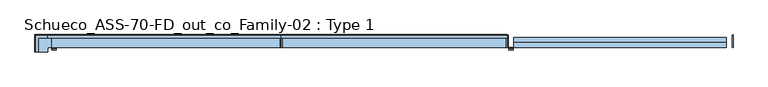
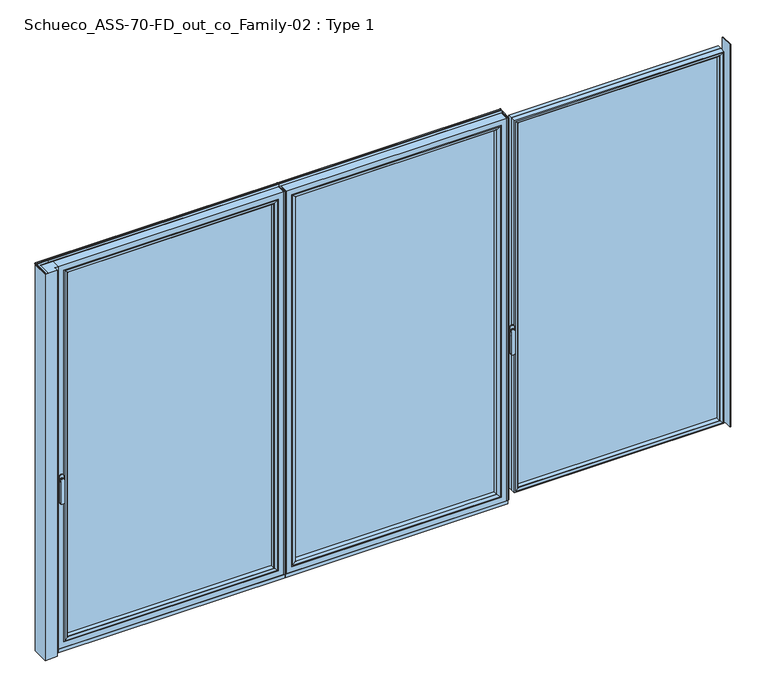
"""IFC4 building model written with IfcOpenShell, lengths in millimetres: window geometry, Schueco_ASS-70-FD_out_co_Family-02 : Type 1."""

from ifc_helpers import new_model, si_unit, point, frame, frame_2d, origin, place, context, project, spatial, polyline, circle_curve, ellipse_curve, trimmed, segment, composite_curve, outline, extrude, source, transform, mapped, element, save
from ifc_brep_helpers import plane_surface, cylinder_surface, extruded_surface, advanced_brep


def schueco_ass_70_fd_out_co_family_02_type_1_bc9d84b3(model_context):
    return source(origin(), model_context, "Body", "SolidModel", [
        extrude(outline(polyline([(-618.7333333, 0.0), (-612.7333333, 0.0), (-612.7333333, -70.0), (-618.7333333, -70.0), (-618.7333333, 0.0)])), frame((0.0, 0.0, 34.0), z_axis=(0.0, 0.0, 1.0), x_axis=(1.0, 0.0, 0.0)), (0.0, 0.0, 1.0), 2303.0),
        extrude(outline(polyline([(650.0333333, 0.0), (650.0333333, -70.0), (644.0333333, -70.0), (644.0333333, 0.0), (650.0333333, 0.0)])), frame((0.0, 0.0, 34.0), z_axis=(0.0, 0.0, 1.0), x_axis=(1.0, 0.0, 0.0)), (0.0, 0.0, 1.0), 2303.0),
        extrude(outline(polyline([(-580.7333333, -13.999939), (612.0333333, -13.999939), (612.0333333, -37.9928974), (-580.7333333, -37.9928974), (-580.7333333, -13.999939)])), frame((0.0, 0.0, 66.0), z_axis=(0.0, 0.0, 1.0), x_axis=(1.0, 0.0, 0.0)), (0.0, 0.0, 1.0), 2239.0),
        advanced_brep(
        [(590.0337606, -64.5552044, 2283.0004272), (590.0337606, -37.9928974, 2283.0004272), (590.0337606, -37.9928974, 87.9995728), (590.0337606, -64.5552044, 87.9995728), (612.0333333, -37.9928974, 2305.0), (612.0333333, -37.9928974, 66.0), (-580.7333333, -37.9928974, 66.0), (-580.7333333, -37.9928974, 2305.0), (-558.7337606, -37.9928974, 2283.0004272), (-558.7337606, -37.9928974, 87.9995728), (-558.7337606, -64.5552044, 87.9995728), (590.743304, -65.8045072, 2283.7099707), (590.743304, -65.8045072, 87.2900293), (-559.443304, -65.8045072, 87.2900293), (606.0333944, -70.0, 2299.000061), (606.0333944, -70.0, 71.999939), (-574.7333944, -70.0, 71.999939), (-580.7333333, -70.0, 2305.0), (-580.7333333, -70.0, 66.0), (612.0333333, -70.0, 66.0), (612.0333333, -70.0, 2305.0), (-574.7333944, -70.0, 2299.000061), (-558.7337606, -64.5552044, 2283.0004272), (-559.443304, -65.8045072, 2283.7099707)],
        [
            (0, 1),
            (1, 2),
            (2, 3),
            (3, 0),
            (4, 5),
            (5, 6),
            (6, 7),
            (7, 4),
            (8, 9),
            (9, 2),
            (1, 8),
            (9, 10),
            (10, 3),
            (11, 0, ellipse_curve(frame((591.4883645, -64.5552044, 2284.4550312), z_axis=(0.7071067811865475, 0.0, -0.7071067811865475), x_axis=(0.7071067811865474, 0.0, 0.7071067811865476)), 2.0571207, 1.454604)),
            (3, 12, ellipse_curve(frame((591.4883645, -64.5552044, 86.5449688), z_axis=(0.7071067811865475, 0.0, 0.7071067811865475), x_axis=(-0.7071067811865474, 0.0, 0.7071067811865476)), 2.0571207, 1.454604)),
            (12, 11),
            (10, 13, ellipse_curve(frame((-560.1883645, -64.5552044, 86.5449688), z_axis=(0.7071067811865475, 0.0, -0.7071067811865475), x_axis=(0.7071067811865476, 0.0, 0.7071067811865474)), 2.0571207, 1.454604)),
            (13, 12),
            (14, 11, ellipse_curve(frame((605.9694588, -40.2735922, 2298.9361254), z_axis=(0.7071067811865475, 0.0, -0.7071067811865475), x_axis=(0.7071067811865474, 0.0, 0.7071067811865476)), 42.0395863, 29.7264765)),
            (12, 15, ellipse_curve(frame((605.9694588, -40.2735922, 72.0638746), z_axis=(0.7071067811865475, 0.0, 0.7071067811865475), x_axis=(-0.7071067811865474, 0.0, 0.7071067811865476)), 42.0395863, 29.7264765)),
            (15, 14),
            (13, 16, ellipse_curve(frame((-574.6694588, -40.2735922, 72.0638746), z_axis=(0.7071067811865475, 0.0, -0.7071067811865475), x_axis=(0.7071067811865476, 0.0, 0.7071067811865474)), 42.0395863, 29.7264765)),
            (16, 15),
            (17, 18),
            (18, 19),
            (19, 20),
            (20, 17),
            (16, 21),
            (21, 14),
            (4, 20),
            (19, 5),
            (18, 6),
            (8, 22),
            (22, 10),
            (22, 23, ellipse_curve(frame((-560.1883645, -64.5552044, 2284.4550312), z_axis=(-0.7071067811865475, 0.0, -0.7071067811865475), x_axis=(0.7071067811865474, 0.0, -0.7071067811865476)), 2.0571207, 1.454604)),
            (23, 13),
            (23, 21, ellipse_curve(frame((-574.6694588, -40.2735922, 2298.9361254), z_axis=(-0.7071067811865475, 0.0, -0.7071067811865475), x_axis=(0.7071067811865474, 0.0, -0.7071067811865476)), 42.0395863, 29.7264765)),
            (17, 7),
            (0, 22),
            (11, 23),
        ],
        [
            plane_surface(frame((590.0337606, -37.9928974, 2283.0004272), z_axis=(-1.0, 0.0, 0.0), x_axis=(0.0, 0.0, -1.0))),
            plane_surface(frame((-580.7333333, -37.9928974, 66.0), z_axis=(0.0, 1.0, 0.0), x_axis=(0.0, 0.0, 1.0))),
            plane_surface(frame((590.0337606, -37.9928974, 87.9995728), z_axis=(0.0, 0.0, 1.0), x_axis=(-1.0, 0.0, 0.0))),
            cylinder_surface(frame((591.4883645, -64.5552044, 2283.0004272), z_axis=(0.0, 0.0, 1.0), x_axis=(1.0, 0.0, 0.0)), 1.454604),
            cylinder_surface(frame((590.0337606, -64.5552044, 86.5449688), z_axis=(1.0, 0.0, 0.0), x_axis=(0.0, 0.0, -1.0)), 1.454604),
            cylinder_surface(frame((605.9694588, -40.2735922, 2283.0004272), z_axis=(0.0, 0.0, 1.0), x_axis=(1.0, 0.0, 0.0)), 29.7264765),
            cylinder_surface(frame((590.0337606, -40.2735922, 72.0638746), z_axis=(1.0, 0.0, 0.0), x_axis=(0.0, 0.0, -1.0)), 29.7264765),
            plane_surface(frame((-574.7333944, -70.0, 71.999939), z_axis=(0.0, -1.0, 0.0), x_axis=(0.0, 0.0, 1.0))),
            plane_surface(frame((612.0333333, -70.0, 2305.0), z_axis=(1.0, 0.0, 0.0), x_axis=(0.0, 0.0, -1.0))),
            plane_surface(frame((612.0333333, -70.0, 66.0), z_axis=(0.0, 0.0, -1.0), x_axis=(-1.0, 0.0, 0.0))),
            plane_surface(frame((-558.7337606, -37.9928974, 87.9995728), z_axis=(1.0, 0.0, 0.0), x_axis=(0.0, 0.0, 1.0))),
            cylinder_surface(frame((-560.1883645, -64.5552044, 87.9995728), z_axis=(0.0, 0.0, -1.0), x_axis=(-1.0, 0.0, 0.0)), 1.454604),
            cylinder_surface(frame((-574.6694588, -40.2735922, 87.9995728), z_axis=(0.0, 0.0, -1.0), x_axis=(-1.0, 0.0, 0.0)), 29.7264765),
            plane_surface(frame((-580.7333333, -70.0, 66.0), z_axis=(-1.0, 0.0, 0.0), x_axis=(0.0, 0.0, 1.0))),
            plane_surface(frame((-558.7337606, -37.9928974, 2283.0004272), z_axis=(0.0, 0.0, -1.0), x_axis=(1.0, 0.0, 0.0))),
            cylinder_surface(frame((-558.7337606, -64.5552044, 2284.4550312), z_axis=(-1.0, 0.0, 0.0), x_axis=(0.0, 0.0, 1.0)), 1.454604),
            cylinder_surface(frame((-558.7337606, -40.2735922, 2298.9361254), z_axis=(-1.0, 0.0, 0.0), x_axis=(0.0, 0.0, 1.0)), 29.7264765),
            plane_surface(frame((-580.7333333, -70.0, 2305.0), z_axis=(0.0, 0.0, 1.0), x_axis=(1.0, 0.0, 0.0))),
        ],
        [
            (0, [[1, 2, 3, 4]]),
            (1, [[5, 6, 7, 8], [9, 10, -2, 11]]),
            (2, [[-3, -10, 12, 13]]),
            (3, [[14, -4, 15, 16]]),
            (4, [[-15, -13, 17, 18]]),
            (5, [[19, -16, 20, 21]]),
            (6, [[-20, -18, 22, 23]]),
            (7, [[24, 25, 26, 27], [-21, -23, 28, 29]]),
            (8, [[30, -26, 31, -5]]),
            (9, [[-31, -25, 32, -6]]),
            (10, [[-12, -9, 33, 34]]),
            (11, [[-17, -34, 35, 36]]),
            (12, [[-22, -36, 37, -28]]),
            (13, [[-32, -24, 38, -7]]),
            (14, [[-33, -11, -1, 39]]),
            (15, [[-35, -39, -14, 40]]),
            (16, [[-37, -40, -19, -29]]),
            (17, [[-38, -27, -30, -8]]),
        ],
    ),
        advanced_brep(
        [(-612.7333333, -70.0, 2337.0), (-612.7333333, 0.0, 2337.0), (-612.7333333, 0.0, 34.0), (-612.7333333, -70.0, 34.0), (644.0333333, 0.0, 34.0), (644.0333333, -70.0, 34.0), (644.0333333, 0.0, 2337.0), (594.5341433, 0.0, 83.4991901), (594.5341433, 0.0, 2287.5008099), (-563.2341433, 0.0, 2287.5008099), (-563.2341433, 0.0, 83.4991901), (644.0333333, -70.0, 2337.0), (-580.7333333, -70.0, 66.0), (-580.7333333, -70.0, 2305.0), (612.0333333, -70.0, 2305.0), (612.0333333, -70.0, 66.0), (-580.7333333, -13.999939, 2305.0), (-580.7333333, -13.999939, 66.0), (612.0333333, -13.999939, 66.0), (612.0333333, -13.999939, 2305.0), (-558.7337606, -13.999939, 87.9995728), (-558.7337606, -13.999939, 2283.0004272), (590.0337606, -13.999939, 2283.0004272), (590.0337606, -13.999939, 87.9995728), (-558.7337606, -4.5004435, 2283.0004272), (-558.7337606, -4.5004435, 87.9995728), (590.0337606, -4.5004435, 87.9995728), (590.0337606, -4.5004435, 2283.0004272)],
        [
            (0, 1),
            (1, 2),
            (2, 3),
            (3, 0),
            (2, 4),
            (4, 5),
            (5, 3),
            (1, 6),
            (6, 4),
            (7, 8),
            (8, 9),
            (9, 10),
            (10, 7),
            (6, 11),
            (11, 5),
            (11, 0),
            (12, 13),
            (13, 14),
            (14, 15),
            (15, 12),
            (16, 13),
            (12, 17),
            (17, 16),
            (15, 18),
            (18, 17),
            (14, 19),
            (19, 18),
            (19, 16),
            (20, 21),
            (21, 22),
            (22, 23),
            (23, 20),
            (24, 21),
            (20, 25),
            (25, 24),
            (23, 26),
            (26, 25),
            (22, 27),
            (27, 26),
            (10, 25, ellipse_curve(frame((-563.2341433, -4.5004435, 83.4991901), z_axis=(0.7071067811865475, 0.0, -0.7071067811865475), x_axis=(-0.7071067811865476, 0.0, -0.7071067811865474)), 6.3645023, 4.5003827)),
            (26, 7, ellipse_curve(frame((594.5341433, -4.5004435, 83.4991901), z_axis=(-0.7071067811865475, 0.0, -0.7071067811865475), x_axis=(-0.7071067811865476, 0.0, 0.7071067811865474)), 6.3645023, 4.5003827)),
            (9, 24, ellipse_curve(frame((-563.2341433, -4.5004435, 2287.5008099), z_axis=(-0.7071067811865475, 0.0, -0.7071067811865475), x_axis=(-0.7071067811865474, 0.0, 0.7071067811865476)), 6.3645023, 4.5003827)),
            (27, 8, ellipse_curve(frame((594.5341433, -4.5004435, 2287.5008099), z_axis=(0.7071067811865475, 0.0, -0.7071067811865475), x_axis=(-0.7071067811865474, 0.0, -0.7071067811865476)), 6.3645023, 4.5003827)),
            (24, 27),
        ],
        [
            plane_surface(frame((-612.7333333, 0.0, 2337.0), z_axis=(-1.0, 0.0, 0.0), x_axis=(0.0, 0.0, -1.0))),
            plane_surface(frame((-612.7333333, 0.0, 34.0), z_axis=(0.0, 0.0, -1.0), x_axis=(1.0, 0.0, 0.0))),
            plane_surface(frame((-563.2341433, 0.0, 2287.5008099), z_axis=(0.0, 1.0, 0.0), x_axis=(0.0, 0.0, -1.0))),
            plane_surface(frame((644.0333333, 0.0, 34.0), z_axis=(1.0, 0.0, 0.0), x_axis=(0.0, 0.0, 1.0))),
            plane_surface(frame((-612.7333333, -70.0, 2337.0), z_axis=(0.0, -1.0, 0.0), x_axis=(0.0, 0.0, -1.0))),
            plane_surface(frame((-580.7333333, -70.0, 2305.0), z_axis=(1.0, 0.0, 0.0), x_axis=(0.0, 0.0, -1.0))),
            plane_surface(frame((-580.7333333, -70.0, 66.0), z_axis=(0.0, 0.0, 1.0), x_axis=(1.0, 0.0, 0.0))),
            plane_surface(frame((612.0333333, -70.0, 66.0), z_axis=(-1.0, 0.0, 0.0), x_axis=(0.0, 0.0, 1.0))),
            plane_surface(frame((-580.7333333, -13.999939, 2305.0), z_axis=(0.0, -1.0, 0.0), x_axis=(0.0, 0.0, -1.0))),
            plane_surface(frame((-558.7337606, -13.999939, 2283.0004272), z_axis=(1.0, 0.0, 0.0), x_axis=(0.0, 0.0, -1.0))),
            plane_surface(frame((-558.7337606, -13.999939, 87.9995728), z_axis=(0.0, 0.0, 1.0), x_axis=(1.0, 0.0, 0.0))),
            plane_surface(frame((590.0337606, -13.999939, 87.9995728), z_axis=(-1.0, 0.0, 0.0), x_axis=(0.0, 0.0, 1.0))),
            cylinder_surface(frame((-618.7333333, -4.5004435, 83.4991901), z_axis=(-1.0, 0.0, 0.0), x_axis=(0.0, -1.0, 0.0)), 4.5003827),
            cylinder_surface(frame((-563.2341433, -4.5004435, 2343.0), z_axis=(0.0, 0.0, 1.0), x_axis=(0.0, -1.0, 0.0)), 4.5003827),
            cylinder_surface(frame((594.5341433, -4.5004435, 28.0), z_axis=(0.0, 0.0, -1.0), x_axis=(0.0, -1.0, 0.0)), 4.5003827),
            plane_surface(frame((644.0333333, 0.0, 2337.0), z_axis=(0.0, 0.0, 1.0), x_axis=(-1.0, 0.0, 0.0))),
            plane_surface(frame((612.0333333, -70.0, 2305.0), z_axis=(0.0, 0.0, -1.0), x_axis=(-1.0, 0.0, 0.0))),
            plane_surface(frame((590.0337606, -13.999939, 2283.0004272), z_axis=(0.0, 0.0, -1.0), x_axis=(-1.0, 0.0, 0.0))),
            cylinder_surface(frame((650.0333333, -4.5004435, 2287.5008099), z_axis=(1.0, 0.0, 0.0), x_axis=(0.0, -1.0, 0.0)), 4.5003827),
        ],
        [
            (0, [[1, 2, 3, 4]]),
            (1, [[-3, 5, 6, 7]]),
            (2, [[-2, 8, 9, -5], [10, 11, 12, 13]]),
            (3, [[-6, -9, 14, 15]]),
            (4, [[-15, 16, -4, -7], [17, 18, 19, 20]]),
            (5, [[21, -17, 22, 23]]),
            (6, [[-22, -20, 24, 25]]),
            (7, [[-24, -19, 26, 27]]),
            (8, [[-27, 28, -23, -25], [29, 30, 31, 32]]),
            (9, [[33, -29, 34, 35]]),
            (10, [[-34, -32, 36, 37]]),
            (11, [[-36, -31, 38, 39]]),
            (12, [[40, -37, 41, -13]]),
            (13, [[42, -35, -40, -12]]),
            (14, [[-41, -39, 43, -10]]),
            (15, [[-14, -8, -1, -16]]),
            (16, [[-26, -18, -21, -28]]),
            (17, [[-38, -30, -33, 44]]),
            (18, [[-43, -44, -42, -11]]),
        ],
    ),
        extrude(outline(polyline([(-618.7333333, -7.6000076), (-618.7333333, 0.0), (650.0333333, 0.0), (650.0333333, -7.6000076), (-618.7333333, -7.6000076)])), frame((0.0, 0.0, 12.0), z_axis=(0.0, 0.0, 1.0), x_axis=(1.0, 0.0, 0.0)), (0.0, 0.0, 1.0), 22.0),
        extrude(outline(polyline([(-618.7333333, -70.0), (-618.7333333, -62.2757497), (650.0333333, -62.2757497), (650.0333333, -70.0), (-618.7333333, -70.0)])), frame((0.0, 0.0, 12.0), z_axis=(0.0, 0.0, 1.0), x_axis=(1.0, 0.0, 0.0)), (0.0, 0.0, 1.0), 22.0),
        extrude(outline(composite_curve([segment(polyline([(-17.955674, 2339.1400778), (-1.3636404, 2339.1400778), (0.0, 2342.963961), (0.0, 2348.6420698), (0.8937897, 2348.6420698), (1.8738669, 2344.9939222)]), True, "CONTINUOUS"), segment(trimmed(circle_curve(frame_2d((-0.0576456, 2344.4750201)), 2.0), [point((1.8738669, 2344.9939222))], [point((1.8735116, 2343.9547971))], False, "CARTESIAN"), True, "CONTINUOUS"), segment(polyline([(1.8735116, 2343.9547971), (0.0, 2337.0), (-17.955674, 2337.0), (-17.955674, 2339.1400778)]), True, "CONTINUOUS")], self_intersect=False)), frame((-618.7333333, 0.0, 0.0), z_axis=(1.0, 0.0, 0.0), x_axis=(0.0, 1.0, 0.0)), (0.0, 0.0, 1.0), 1268.7666667),
        advanced_brep(
        [(-1882.0113692, -73.5, 1050.0), (-1905.9886308, -73.5, 1050.0), (-1882.0113692, -76.8965533, 1050.0), (-1905.9886308, -76.8965533, 1050.0), (-1882.0113692, -84.5, 1050.0), (-1905.9886308, -84.5, 1050.0), (-1905.9886308, -84.5, 918.6867153), (-1882.0113692, -84.5, 918.6867153), (-1882.0113692, -76.8965533, 918.6867153), (-1905.9886308, -76.8965533, 918.6867153)],
        [
            (0, 1, circle_curve(frame((-1894.0, -73.5, 1050.0), z_axis=(0.0, 1.0, 0.0), x_axis=(-1.0, 0.0, 0.0)), 11.9886308)),
            (1, 0, circle_curve(frame((-1894.0, -73.5, 1050.0), z_axis=(0.0, 1.0, 0.0), x_axis=(-1.0, 0.0, 0.0)), 11.9886308)),
            (0, 2),
            (2, 3, circle_curve(frame((-1894.0, -76.8965533, 1050.0), z_axis=(0.0, 1.0, 0.0), x_axis=(-1.0, 0.0, 0.0)), 11.9886308)),
            (3, 1),
            (3, 2, circle_curve(frame((-1894.0, -76.8965533, 1050.0), z_axis=(0.0, 1.0, 0.0), x_axis=(-1.0, 0.0, 0.0)), 11.9886308)),
            (4, 5, circle_curve(frame((-1894.0, -84.5, 1050.0), z_axis=(0.0, -1.0, 0.0), x_axis=(-1.0, 0.0, 0.0)), 11.9886308)),
            (5, 6),
            (6, 7, ellipse_curve(frame((-1894.0, -84.5, 918.6867153), z_axis=(0.0, -1.0, 0.0), x_axis=(1.0, 0.0, 0.0)), 11.9886308, 7.9050795)),
            (7, 4),
            (2, 8),
            (8, 9, ellipse_curve(frame((-1894.0, -76.8965533, 918.6867153), z_axis=(0.0, 1.0, 0.0), x_axis=(1.0, 0.0, 0.0)), 11.9886308, 7.9050795)),
            (9, 3),
            (7, 8),
            (2, 4),
            (6, 9),
            (5, 3),
        ],
        [
            plane_surface(frame((-1905.9886308, -73.5, 1050.0), z_axis=(0.0, 1.0, 0.0), x_axis=(0.0, 0.0, -1.0))),
            cylinder_surface(frame((-1894.0, -73.5, 1050.0), z_axis=(0.0, -1.0, 0.0), x_axis=(-1.0, 0.0, 0.0)), 11.9886308),
            plane_surface(frame((-1882.0113692, -84.5, 928.3382074), z_axis=(0.0, -1.0, 0.0), x_axis=(0.0, 0.0, -1.0))),
            plane_surface(frame((-1882.0113692, -76.8965533, 928.3382074), z_axis=(0.0, 1.0, 0.0), x_axis=(0.0, 0.0, 1.0))),
            plane_surface(frame((-1882.0113692, -84.5, 1050.0), z_axis=(1.0, 0.0, 0.0), x_axis=(0.0, 1.0, 0.0))),
            extruded_surface(trimmed(ellipse_curve(frame((-1894.0, -76.8965533, 918.6867153), z_axis=(0.0, 1.0, 0.0), x_axis=(1.0, 0.0, 0.0)), 11.9886308, 7.9050795), [point((-1882.0113692, -76.8965533, 918.6867153))], [point((-1905.9886308, -76.8965533, 918.6867153))], True, "CARTESIAN"), (0.0, 7.603446699999992, 0.0), 7.603446699999992),
            plane_surface(frame((-1905.9886308, -84.5, 918.6867153), z_axis=(-1.0, 0.0, 0.0), x_axis=(0.0, 1.0, 0.0))),
            cylinder_surface(frame((-1894.0, -76.8965533, 1050.0), z_axis=(0.0, -1.0, 0.0), x_axis=(-1.0, 0.0, 0.0)), 11.9886308),
        ],
        [
            (0, [[1, 2]]),
            (1, [[3, 4, 5, -1]]),
            (1, [[-5, 6, -3, -2]]),
            (2, [[7, 8, 9, 10]]),
            (3, [[-4, 11, 12, 13]]),
            (4, [[14, -11, 15, -10]]),
            (5, [[16, -12, -14, -9]]),
            (6, [[17, -13, -16, -8]]),
            (7, [[-15, -6, -17, -7]]),
        ],
    ),
        extrude(outline(composite_curve([segment(trimmed(circle_curve(frame_2d((1068.75, -1894.0)), 14.0), [point((1068.75, -1880.0))], [point((1068.75, -1908.0))], False, "CARTESIAN"), True, "CONTINUOUS"), segment(polyline([(1068.75, -1908.0), (1031.25, -1908.0)]), True, "CONTINUOUS"), segment(trimmed(circle_curve(frame_2d((1031.25, -1894.0)), 14.0), [point((1031.25, -1908.0))], [point((1031.25, -1880.0))], False, "CARTESIAN"), True, "CONTINUOUS"), segment(polyline([(1031.25, -1880.0), (1068.75, -1880.0)]), True, "CONTINUOUS")], self_intersect=False)), frame((0.0, -73.5, 0.0), z_axis=(0.0, 1.0, 0.0), x_axis=(0.0, 0.0, 1.0)), (0.0, 0.0, 1.0), 3.5),
        extrude(outline(polyline([(-2000.0003662, 0.0), (-1910.0003662, 0.0), (-1910.0003662, -70.0), (-1930.0003662, -70.0), (-1930.0003662, -95.0), (-2000.0003662, -95.0), (-2000.0003662, 0.0)])), frame((0.0, 0.0, 12.0), z_axis=(0.0, 0.0, 1.0), x_axis=(1.0, 0.0, 0.0)), (0.0, 0.0, 1.0), 2325.0),
        extrude(outline(polyline([(-618.7333333, 0.0), (-618.7333333, -70.0), (-624.7333333, -70.0), (-624.7333333, 0.0), (-618.7333333, 0.0)])), frame((0.0, 0.0, 34.0), z_axis=(0.0, 0.0, 1.0), x_axis=(1.0, 0.0, 0.0)), (0.0, 0.0, 1.0), 2303.0),
        extrude(outline(polyline([(-656.7333333, -13.999939), (-656.7333333, -37.9928974), (-1878.0, -37.9928974), (-1878.0, -13.999939), (-656.7333333, -13.999939)])), frame((0.0, 0.0, 66.0), z_axis=(0.0, 0.0, 1.0), x_axis=(1.0, 0.0, 0.0)), (0.0, 0.0, 1.0), 2239.0),
        advanced_brep(
        [(-1856.0004272, -64.5552044, 2283.0004272), (-1856.0004272, -64.5552044, 87.9995728), (-1856.0004272, -37.9928974, 87.9995728), (-1856.0004272, -37.9928974, 2283.0004272), (-1878.0, -37.9928974, 2305.0), (-656.7333333, -37.9928974, 2305.0), (-656.7333333, -37.9928974, 66.0), (-1878.0, -37.9928974, 66.0), (-678.7329061, -37.9928974, 2283.0004272), (-678.7329061, -37.9928974, 87.9995728), (-678.7329061, -64.5552044, 87.9995728), (-1856.7099707, -65.8045072, 2283.7099707), (-1856.7099707, -65.8045072, 87.2900293), (-678.0233627, -65.8045072, 87.2900293), (-1872.000061, -70.0, 2299.000061), (-1872.000061, -70.0, 71.999939), (-662.7332723, -70.0, 71.999939), (-656.7333333, -70.0, 2305.0), (-1878.0, -70.0, 2305.0), (-1878.0, -70.0, 66.0), (-656.7333333, -70.0, 66.0), (-662.7332723, -70.0, 2299.000061), (-678.7329061, -64.5552044, 2283.0004272), (-678.0233627, -65.8045072, 2283.7099707)],
        [
            (0, 1),
            (1, 2),
            (2, 3),
            (3, 0),
            (4, 5),
            (5, 6),
            (6, 7),
            (7, 4),
            (8, 3),
            (2, 9),
            (9, 8),
            (1, 10),
            (10, 9),
            (11, 12),
            (12, 1, ellipse_curve(frame((-1857.4550312, -64.5552044, 86.5449688), z_axis=(-0.7071067811865475, 0.0, 0.7071067811865475), x_axis=(0.7071067811865474, 0.0, 0.7071067811865476)), 2.0571207, 1.454604)),
            (0, 11, ellipse_curve(frame((-1857.4550312, -64.5552044, 2284.4550312), z_axis=(-0.7071067811865475, 0.0, -0.7071067811865475), x_axis=(-0.7071067811865474, 0.0, 0.7071067811865476)), 2.0571207, 1.454604)),
            (12, 13),
            (13, 10, ellipse_curve(frame((-677.2783021, -64.5552044, 86.5449688), z_axis=(-0.7071067811865475, 0.0, -0.7071067811865475), x_axis=(-0.7071067811865476, 0.0, 0.7071067811865474)), 2.0571207, 1.454604)),
            (14, 15),
            (15, 12, ellipse_curve(frame((-1871.9361254, -40.2735922, 72.0638746), z_axis=(-0.7071067811865475, 0.0, 0.7071067811865475), x_axis=(0.7071067811865474, 0.0, 0.7071067811865476)), 42.0395863, 29.7264765)),
            (11, 14, ellipse_curve(frame((-1871.9361254, -40.2735922, 2298.9361254), z_axis=(-0.7071067811865475, 0.0, -0.7071067811865475), x_axis=(-0.7071067811865474, 0.0, 0.7071067811865476)), 42.0395863, 29.7264765)),
            (15, 16),
            (16, 13, ellipse_curve(frame((-662.7972079, -40.2735922, 72.0638746), z_axis=(-0.7071067811865475, 0.0, -0.7071067811865475), x_axis=(-0.7071067811865476, 0.0, 0.7071067811865474)), 42.0395863, 29.7264765)),
            (17, 18),
            (18, 19),
            (19, 20),
            (20, 17),
            (14, 21),
            (21, 16),
            (7, 19),
            (18, 4),
            (6, 20),
            (10, 22),
            (22, 8),
            (13, 23),
            (23, 22, ellipse_curve(frame((-677.2783021, -64.5552044, 2284.4550312), z_axis=(0.7071067811865475, 0.0, -0.7071067811865475), x_axis=(-0.7071067811865474, 0.0, -0.7071067811865476)), 2.0571207, 1.454604)),
            (21, 23, ellipse_curve(frame((-662.7972079, -40.2735922, 2298.9361254), z_axis=(0.7071067811865475, 0.0, -0.7071067811865475), x_axis=(-0.7071067811865474, 0.0, -0.7071067811865476)), 42.0395863, 29.7264765)),
            (5, 17),
            (22, 0),
            (23, 11),
        ],
        [
            plane_surface(frame((-1856.0004272, -37.9928974, 2283.0004272), z_axis=(1.0, 0.0, 0.0), x_axis=(0.0, 0.0, -1.0))),
            plane_surface(frame((-656.7333333, -37.9928974, 66.0), z_axis=(0.0, 1.0, 0.0), x_axis=(0.0, 0.0, 1.0))),
            plane_surface(frame((-1856.0004272, -37.9928974, 87.9995728), z_axis=(0.0, 0.0, 1.0), x_axis=(1.0, 0.0, 0.0))),
            cylinder_surface(frame((-1857.4550312, -64.5552044, 2283.0004272), z_axis=(0.0, 0.0, 1.0), x_axis=(-1.0, 0.0, 0.0)), 1.454604),
            cylinder_surface(frame((-1856.0004272, -64.5552044, 86.5449688), z_axis=(-1.0, 0.0, 0.0), x_axis=(0.0, 0.0, -1.0)), 1.454604),
            cylinder_surface(frame((-1871.9361254, -40.2735922, 2283.0004272), z_axis=(0.0, 0.0, 1.0), x_axis=(-1.0, 0.0, 0.0)), 29.7264765),
            cylinder_surface(frame((-1856.0004272, -40.2735922, 72.0638746), z_axis=(-1.0, 0.0, 0.0), x_axis=(0.0, 0.0, -1.0)), 29.7264765),
            plane_surface(frame((-662.7332723, -70.0, 71.999939), z_axis=(0.0, -1.0, 0.0), x_axis=(0.0, 0.0, 1.0))),
            plane_surface(frame((-1878.0, -70.0, 2305.0), z_axis=(-1.0, 0.0, 0.0), x_axis=(0.0, 0.0, -1.0))),
            plane_surface(frame((-1878.0, -70.0, 66.0), z_axis=(0.0, 0.0, -1.0), x_axis=(1.0, 0.0, 0.0))),
            plane_surface(frame((-678.7329061, -37.9928974, 87.9995728), z_axis=(-1.0, 0.0, 0.0), x_axis=(0.0, 0.0, 1.0))),
            cylinder_surface(frame((-677.2783021, -64.5552044, 87.9995728), z_axis=(0.0, 0.0, -1.0), x_axis=(1.0, 0.0, 0.0)), 1.454604),
            cylinder_surface(frame((-662.7972079, -40.2735922, 87.9995728), z_axis=(0.0, 0.0, -1.0), x_axis=(1.0, 0.0, 0.0)), 29.7264765),
            plane_surface(frame((-656.7333333, -70.0, 66.0), z_axis=(1.0, 0.0, 0.0), x_axis=(0.0, 0.0, 1.0))),
            plane_surface(frame((-678.7329061, -37.9928974, 2283.0004272), z_axis=(0.0, 0.0, -1.0), x_axis=(-1.0, 0.0, 0.0))),
            cylinder_surface(frame((-678.7329061, -64.5552044, 2284.4550312), z_axis=(1.0, 0.0, 0.0), x_axis=(0.0, 0.0, 1.0)), 1.454604),
            cylinder_surface(frame((-678.7329061, -40.2735922, 2298.9361254), z_axis=(1.0, 0.0, 0.0), x_axis=(0.0, 0.0, 1.0)), 29.7264765),
            plane_surface(frame((-656.7333333, -70.0, 2305.0), z_axis=(0.0, 0.0, 1.0), x_axis=(-1.0, 0.0, 0.0))),
        ],
        [
            (0, [[1, 2, 3, 4]]),
            (1, [[5, 6, 7, 8], [9, -3, 10, 11]]),
            (2, [[12, 13, -10, -2]]),
            (3, [[14, 15, -1, 16]]),
            (4, [[17, 18, -12, -15]]),
            (5, [[19, 20, -14, 21]]),
            (6, [[22, 23, -17, -20]]),
            (7, [[24, 25, 26, 27], [28, 29, -22, -19]]),
            (8, [[-8, 30, -25, 31]]),
            (9, [[-7, 32, -26, -30]]),
            (10, [[33, 34, -11, -13]]),
            (11, [[35, 36, -33, -18]]),
            (12, [[-29, 37, -35, -23]]),
            (13, [[-6, 38, -27, -32]]),
            (14, [[39, -4, -9, -34]]),
            (15, [[40, -16, -39, -36]]),
            (16, [[-28, -21, -40, -37]]),
            (17, [[-5, -31, -24, -38]]),
        ],
    ),
        advanced_brep(
        [(-624.7333333, -70.0, 2337.0), (-624.7333333, -70.0, 34.0), (-624.7333333, 0.0, 34.0), (-624.7333333, 0.0, 2337.0), (-1910.0, -70.0, 34.0), (-1910.0, 0.0, 34.0), (-1910.0, 0.0, 2337.0), (-1860.5008099, 0.0, 83.4991901), (-674.2325234, 0.0, 83.4991901), (-674.2325234, 0.0, 2287.5008099), (-1860.5008099, 0.0, 2287.5008099), (-1910.0, -70.0, 2337.0), (-656.7333333, -70.0, 66.0), (-1878.0, -70.0, 66.0), (-1878.0, -70.0, 2305.0), (-656.7333333, -70.0, 2305.0), (-656.7333333, -13.999939, 2305.0), (-656.7333333, -13.999939, 66.0), (-1878.0, -13.999939, 66.0), (-1878.0, -13.999939, 2305.0), (-678.7329061, -13.999939, 87.9995728), (-1856.0004272, -13.999939, 87.9995728), (-1856.0004272, -13.999939, 2283.0004272), (-678.7329061, -13.999939, 2283.0004272), (-678.7329061, -4.5004435, 2283.0004272), (-678.7329061, -4.5004435, 87.9995728), (-1856.0004272, -4.5004435, 87.9995728), (-1856.0004272, -4.5004435, 2283.0004272)],
        [
            (0, 1),
            (1, 2),
            (2, 3),
            (3, 0),
            (1, 4),
            (4, 5),
            (5, 2),
            (5, 6),
            (6, 3),
            (7, 8),
            (8, 9),
            (9, 10),
            (10, 7),
            (4, 11),
            (11, 6),
            (0, 11),
            (12, 13),
            (13, 14),
            (14, 15),
            (15, 12),
            (16, 17),
            (17, 12),
            (15, 16),
            (17, 18),
            (18, 13),
            (18, 19),
            (19, 14),
            (16, 19),
            (20, 21),
            (21, 22),
            (22, 23),
            (23, 20),
            (24, 25),
            (25, 20),
            (23, 24),
            (25, 26),
            (26, 21),
            (26, 27),
            (27, 22),
            (7, 26, ellipse_curve(frame((-1860.5008099, -4.5004435, 83.4991901), z_axis=(0.7071067811865475, 0.0, -0.7071067811865475), x_axis=(0.7071067811865476, 0.0, 0.7071067811865474)), 6.3645023, 4.5003827)),
            (25, 8, ellipse_curve(frame((-674.2325234, -4.5004435, 83.4991901), z_axis=(-0.7071067811865475, 0.0, -0.7071067811865475), x_axis=(0.7071067811865476, 0.0, -0.7071067811865474)), 6.3645023, 4.5003827)),
            (24, 9, ellipse_curve(frame((-674.2325234, -4.5004435, 2287.5008099), z_axis=(0.7071067811865475, 0.0, -0.7071067811865475), x_axis=(0.7071067811865474, 0.0, 0.7071067811865476)), 6.3645023, 4.5003827)),
            (10, 27, ellipse_curve(frame((-1860.5008099, -4.5004435, 2287.5008099), z_axis=(-0.7071067811865475, 0.0, -0.7071067811865475), x_axis=(0.7071067811865474, 0.0, -0.7071067811865476)), 6.3645023, 4.5003827)),
            (27, 24),
        ],
        [
            plane_surface(frame((-624.7333333, 0.0, 2337.0), z_axis=(1.0, 0.0, 0.0), x_axis=(0.0, 0.0, -1.0))),
            plane_surface(frame((-624.7333333, 0.0, 34.0), z_axis=(0.0, 0.0, -1.0), x_axis=(-1.0, 0.0, 0.0))),
            plane_surface(frame((-674.2325234, 0.0, 2287.5008099), z_axis=(0.0, 1.0, 0.0), x_axis=(0.0, 0.0, -1.0))),
            plane_surface(frame((-1910.0, 0.0, 34.0), z_axis=(-1.0, 0.0, 0.0), x_axis=(0.0, 0.0, 1.0))),
            plane_surface(frame((-624.7333333, -70.0, 2337.0), z_axis=(0.0, -1.0, 0.0), x_axis=(0.0, 0.0, -1.0))),
            plane_surface(frame((-656.7333333, -70.0, 2305.0), z_axis=(-1.0, 0.0, 0.0), x_axis=(0.0, 0.0, -1.0))),
            plane_surface(frame((-656.7333333, -70.0, 66.0), z_axis=(0.0, 0.0, 1.0), x_axis=(-1.0, 0.0, 0.0))),
            plane_surface(frame((-1878.0, -70.0, 66.0), z_axis=(1.0, 0.0, 0.0), x_axis=(0.0, 0.0, 1.0))),
            plane_surface(frame((-656.7333333, -13.999939, 2305.0), z_axis=(0.0, -1.0, 0.0), x_axis=(0.0, 0.0, -1.0))),
            plane_surface(frame((-678.7329061, -13.999939, 2283.0004272), z_axis=(-1.0, 0.0, 0.0), x_axis=(0.0, 0.0, -1.0))),
            plane_surface(frame((-678.7329061, -13.999939, 87.9995728), z_axis=(0.0, 0.0, 1.0), x_axis=(-1.0, 0.0, 0.0))),
            plane_surface(frame((-1856.0004272, -13.999939, 87.9995728), z_axis=(1.0, 0.0, 0.0), x_axis=(0.0, 0.0, 1.0))),
            cylinder_surface(frame((-618.7333333, -4.5004435, 83.4991901), z_axis=(1.0, 0.0, 0.0), x_axis=(0.0, -1.0, 0.0)), 4.5003827),
            cylinder_surface(frame((-674.2325234, -4.5004435, 2343.0), z_axis=(0.0, 0.0, 1.0), x_axis=(0.0, -1.0, 0.0)), 4.5003827),
            cylinder_surface(frame((-1860.5008099, -4.5004435, 28.0), z_axis=(0.0, 0.0, -1.0), x_axis=(0.0, -1.0, 0.0)), 4.5003827),
            plane_surface(frame((-1910.0, 0.0, 2337.0), z_axis=(0.0, 0.0, 1.0), x_axis=(1.0, 0.0, 0.0))),
            plane_surface(frame((-1878.0, -70.0, 2305.0), z_axis=(0.0, 0.0, -1.0), x_axis=(1.0, 0.0, 0.0))),
            plane_surface(frame((-1856.0004272, -13.999939, 2283.0004272), z_axis=(0.0, 0.0, -1.0), x_axis=(1.0, 0.0, 0.0))),
            cylinder_surface(frame((-1916.0, -4.5004435, 2287.5008099), z_axis=(-1.0, 0.0, 0.0), x_axis=(0.0, -1.0, 0.0)), 4.5003827),
        ],
        [
            (0, [[1, 2, 3, 4]]),
            (1, [[5, 6, 7, -2]]),
            (2, [[-7, 8, 9, -3], [10, 11, 12, 13]]),
            (3, [[14, 15, -8, -6]]),
            (4, [[-5, -1, 16, -14], [17, 18, 19, 20]]),
            (5, [[21, 22, -20, 23]]),
            (6, [[24, 25, -17, -22]]),
            (7, [[26, 27, -18, -25]]),
            (8, [[-24, -21, 28, -26], [29, 30, 31, 32]]),
            (9, [[33, 34, -32, 35]]),
            (10, [[36, 37, -29, -34]]),
            (11, [[38, 39, -30, -37]]),
            (12, [[-10, 40, -36, 41]]),
            (13, [[-11, -41, -33, 42]]),
            (14, [[-13, 43, -38, -40]]),
            (15, [[-16, -4, -9, -15]]),
            (16, [[-28, -23, -19, -27]]),
            (17, [[44, -35, -31, -39]]),
            (18, [[-12, -42, -44, -43]]),
        ],
    ),
        advanced_brep(
        [(-2000.8941559, -95.0, 2348.6420698), (-2001.8742332, -95.0, 2344.9939222), (-2001.8738778, -95.0, 2343.9547971), (-2000.0003662, -95.0, 2337.0), (-1982.0446922, -95.0, 2337.0), (-1982.0446922, -95.0, 2339.1400778), (-1998.6367258, -95.0, 2339.1400778), (-2000.0003662, -95.0, 2342.963961), (-2000.0003662, -95.0, 2348.6420698), (-2000.0003662, 0.0, 2348.6420698), (-1933.5, 0.0, 2348.6420698), (-1933.5, 0.8937897, 2348.6420698), (-2000.8941559, 0.8937897, 2348.6420698), (-2000.0003662, 0.0, 2342.963961), (-1998.6367258, -1.3636404, 2339.1400778), (-1982.0446922, -17.955674, 2339.1400778), (-1933.5, -17.955674, 2339.1400778), (-1933.5, -1.3636404, 2339.1400778), (-1982.0446922, -17.955674, 2337.0), (-2000.0003662, 0.0, 2337.0), (-1933.5, 0.0, 2337.0), (-1933.5, -17.955674, 2337.0), (-2001.8738778, 1.8735116, 2343.9547971), (-2001.8742332, 1.8738669, 2344.9939222), (-1933.5, 0.0, 2342.963961), (-1933.5, 1.8735116, 2343.9547971), (-1933.5, 1.8738669, 2344.9939222)],
        [
            (0, 1),
            (1, 2, circle_curve(frame((-1999.9427206, -95.0, 2344.4750201), z_axis=(0.0, -1.0, 0.0), x_axis=(1.0, 0.0, 0.0)), 2.0)),
            (2, 3),
            (3, 4),
            (4, 5),
            (5, 6),
            (6, 7),
            (7, 8),
            (8, 0),
            (8, 9),
            (9, 10),
            (10, 11),
            (11, 12),
            (12, 0),
            (7, 13),
            (13, 9),
            (6, 14),
            (14, 13),
            (5, 15),
            (15, 16),
            (16, 17),
            (17, 14),
            (4, 18),
            (18, 15),
            (3, 19),
            (19, 20),
            (20, 21),
            (21, 18),
            (2, 22),
            (22, 19),
            (1, 23),
            (23, 22, ellipse_curve(frame((-1999.9427206, -0.0576456, 2344.4750201), z_axis=(-0.7071067811865439, -0.7071067811865511, 0.0), x_axis=(0.7071067811865511, -0.7071067811865438, 0.0)), 2.8284271, 2.0)),
            (12, 23),
            (10, 24),
            (24, 17),
            (16, 21),
            (20, 25),
            (25, 26, circle_curve(frame((-1933.5, -0.0576456, 2344.4750201), z_axis=(1.0, 0.0, 0.0), x_axis=(0.0, -1.0, 0.0)), 2.0)),
            (26, 11),
            (13, 24),
            (22, 25),
            (23, 26),
        ],
        [
            plane_surface(frame((-2000.0003662, -95.0, 2337.0), z_axis=(0.0, -1.0, 0.0), x_axis=(0.0, 0.0, 1.0))),
            plane_surface(frame((-2000.8941559, -95.0, 2348.6420698), z_axis=(0.0, 0.0, 1.0), x_axis=(0.0, 1.0, 0.0))),
            plane_surface(frame((-2000.0003662, -95.0, 2348.6420698), z_axis=(1.0, 0.0, 0.0), x_axis=(0.0, 1.0, 0.0))),
            plane_surface(frame((-2000.0003662, -95.0, 2342.963961), z_axis=(0.9419003600579595, 0.0, 0.33589241093345096), x_axis=(0.0, 1.0, 0.0))),
            plane_surface(frame((-1998.6367258, -95.0, 2339.1400778), z_axis=(0.0, 0.0, 1.0), x_axis=(0.0, 1.0, 0.0))),
            plane_surface(frame((-1982.0446922, -95.0, 2339.1400778), z_axis=(1.0, 0.0, 0.0), x_axis=(0.0, 1.0, 0.0))),
            plane_surface(frame((-1982.0446922, -95.0, 2337.0), z_axis=(0.0, 0.0, -1.0), x_axis=(0.0, 1.0, 0.0))),
            plane_surface(frame((-2000.0003662, -95.0, 2337.0), z_axis=(-0.9655785873590791, 0.0, -0.2601114984648802), x_axis=(0.0, 1.0, 0.0))),
            cylinder_surface(frame((-1999.9427206, -95.0, 2344.4750201), z_axis=(0.0, -1.0, 0.0), x_axis=(1.0, 0.0, 0.0)), 2.0),
            plane_surface(frame((-2001.8742332, -95.0, 2344.9939222), z_axis=(-0.9657562562704528, 0.0, 0.2594510618102759), x_axis=(0.0, 1.0, 0.0))),
            plane_surface(frame((-1933.5, 0.0, 2337.0), z_axis=(1.0, 0.0, 0.0), x_axis=(0.0, 0.0, 1.0))),
            plane_surface(frame((-2000.0003662, 0.0, 2348.6420698), z_axis=(0.0, -1.0, 0.0), x_axis=(1.0, 0.0, 0.0))),
            plane_surface(frame((-2000.0003662, 0.0, 2342.963961), z_axis=(0.0, -0.9419003600579595, 0.33589241093345096), x_axis=(1.0, 0.0, 0.0))),
            plane_surface(frame((-1982.0446922, -17.955674, 2339.1400778), z_axis=(0.0, -1.0, 0.0), x_axis=(1.0, 0.0, 0.0))),
            plane_surface(frame((-2000.0003662, 0.0, 2337.0), z_axis=(0.0, 0.9655785873590791, -0.2601114984648802), x_axis=(1.0, 0.0, 0.0))),
            cylinder_surface(frame((-2000.0003662, -0.0576456, 2344.4750201), z_axis=(-1.0, 0.0, 0.0), x_axis=(0.0, -1.0, 0.0)), 2.0),
            plane_surface(frame((-2001.8742332, 1.8738669, 2344.9939222), z_axis=(0.0, 0.9657562562704528, 0.2594510618102759), x_axis=(1.0, 0.0, 0.0))),
        ],
        [
            (0, [[1, 2, 3, 4, 5, 6, 7, 8, 9]]),
            (1, [[10, 11, 12, 13, 14, -9]]),
            (2, [[15, 16, -10, -8]]),
            (3, [[17, 18, -15, -7]]),
            (4, [[19, 20, 21, 22, -17, -6]]),
            (5, [[23, 24, -19, -5]]),
            (6, [[25, 26, 27, 28, -23, -4]]),
            (7, [[29, 30, -25, -3]]),
            (8, [[31, 32, -29, -2]]),
            (9, [[-14, 33, -31, -1]]),
            (10, [[-12, 34, 35, -21, 36, -27, 37, 38, 39]]),
            (11, [[40, -34, -11, -16]]),
            (12, [[-22, -35, -40, -18]]),
            (13, [[-28, -36, -20, -24]]),
            (14, [[41, -37, -26, -30]]),
            (15, [[42, -38, -41, -32]]),
            (16, [[-13, -39, -42, -33]]),
        ],
    ),
        extrude(outline(composite_curve([segment(polyline([(-17.955674, 2339.1400778), (-1.3636404, 2339.1400778), (0.0, 2342.963961), (0.0, 2348.6420698), (0.8937897, 2348.6420698), (1.8738669, 2344.9939222)]), True, "CONTINUOUS"), segment(trimmed(circle_curve(frame_2d((-0.0576456, 2344.4750201)), 2.0), [point((1.8738669, 2344.9939222))], [point((1.8735116, 2343.9547971))], False, "CARTESIAN"), True, "CONTINUOUS"), segment(polyline([(1.8735116, 2343.9547971), (0.0, 2337.0), (-17.955674, 2337.0), (-17.955674, 2339.1400778)]), True, "CONTINUOUS")], self_intersect=False)), frame((-1933.5, 0.0, 0.0), z_axis=(1.0, 0.0, 0.0), x_axis=(0.0, 1.0, 0.0)), (0.0, 0.0, 1.0), 1314.7666667),
        extrude(outline(polyline([(-618.7333333, -7.6000076), (-1910.0, -7.6000076), (-1910.0, 0.0), (-618.7333333, 0.0), (-618.7333333, -7.6000076)])), frame((0.0, 0.0, 12.0), z_axis=(0.0, 0.0, 1.0), x_axis=(1.0, 0.0, 0.0)), (0.0, 0.0, 1.0), 22.0),
        extrude(outline(polyline([(-618.7333333, -70.0), (-1910.0, -70.0), (-1910.0, -62.2757497), (-618.7333333, -62.2757497), (-618.7333333, -70.0)])), frame((0.0, 0.0, 12.0), z_axis=(0.0, 0.0, 1.0), x_axis=(1.0, 0.0, 0.0)), (0.0, 0.0, 1.0), 22.0),
        advanced_brep(
        [(684.0219641, -73.5, 1050.0), (660.0447025, -73.5, 1050.0), (684.0219641, -76.8965533, 1050.0), (660.0447025, -76.8965533, 1050.0), (684.0219641, -84.5, 1050.0), (660.0447025, -84.5, 1050.0), (660.0447025, -84.5, 918.6867153), (684.0219641, -84.5, 918.6867153), (684.0219641, -76.8965533, 918.6867153), (660.0447025, -76.8965533, 918.6867153)],
        [
            (0, 1, circle_curve(frame((672.0333333, -73.5, 1050.0), z_axis=(0.0, 1.0, 0.0), x_axis=(-1.0, 0.0, 0.0)), 11.9886308)),
            (1, 0, circle_curve(frame((672.0333333, -73.5, 1050.0), z_axis=(0.0, 1.0, 0.0), x_axis=(-1.0, 0.0, 0.0)), 11.9886308)),
            (0, 2),
            (2, 3, circle_curve(frame((672.0333333, -76.8965533, 1050.0), z_axis=(0.0, 1.0, 0.0), x_axis=(-1.0, 0.0, 0.0)), 11.9886308)),
            (3, 1),
            (3, 2, circle_curve(frame((672.0333333, -76.8965533, 1050.0), z_axis=(0.0, 1.0, 0.0), x_axis=(-1.0, 0.0, 0.0)), 11.9886308)),
            (4, 5, circle_curve(frame((672.0333333, -84.5, 1050.0), z_axis=(0.0, -1.0, 0.0), x_axis=(-1.0, 0.0, 0.0)), 11.9886308)),
            (5, 6),
            (6, 7, ellipse_curve(frame((672.0333333, -84.5, 918.6867153), z_axis=(0.0, -1.0, 0.0), x_axis=(1.0, 0.0, 0.0)), 11.9886308, 7.9050795)),
            (7, 4),
            (2, 8),
            (8, 9, ellipse_curve(frame((672.0333333, -76.8965533, 918.6867153), z_axis=(0.0, 1.0, 0.0), x_axis=(1.0, 0.0, 0.0)), 11.9886308, 7.9050795)),
            (9, 3),
            (7, 8),
            (2, 4),
            (6, 9),
            (5, 3),
        ],
        [
            plane_surface(frame((660.0447025, -73.5, 1050.0), z_axis=(0.0, 1.0, 0.0), x_axis=(0.0, 0.0, -1.0))),
            cylinder_surface(frame((672.0333333, -73.5, 1050.0), z_axis=(0.0, -1.0, 0.0), x_axis=(-1.0, 0.0, 0.0)), 11.9886308),
            plane_surface(frame((684.0219641, -84.5, 928.3382074), z_axis=(0.0, -1.0, 0.0), x_axis=(0.0, 0.0, -1.0))),
            plane_surface(frame((684.0219641, -76.8965533, 928.3382074), z_axis=(0.0, 1.0, 0.0), x_axis=(0.0, 0.0, 1.0))),
            plane_surface(frame((684.0219641, -84.5, 1050.0), z_axis=(1.0, 0.0, 0.0), x_axis=(0.0, 1.0, 0.0))),
            extruded_surface(trimmed(ellipse_curve(frame((672.0333333, -76.8965533, 918.6867153), z_axis=(0.0, 1.0, 0.0), x_axis=(1.0, 0.0, 0.0)), 11.9886308, 7.9050795), [point((684.0219641, -76.8965533, 918.6867153))], [point((660.0447025, -76.8965533, 918.6867153))], True, "CARTESIAN"), (0.0, 7.603446699999992, 0.0), 7.603446699999992),
            plane_surface(frame((660.0447025, -84.5, 918.6867153), z_axis=(-1.0, 0.0, 0.0), x_axis=(0.0, 1.0, 0.0))),
            cylinder_surface(frame((672.0333333, -76.8965533, 1050.0), z_axis=(0.0, -1.0, 0.0), x_axis=(-1.0, 0.0, 0.0)), 11.9886308),
        ],
        [
            (0, [[1, 2]]),
            (1, [[3, 4, 5, -1]]),
            (1, [[-5, 6, -3, -2]]),
            (2, [[7, 8, 9, 10]]),
            (3, [[-4, 11, 12, 13]]),
            (4, [[14, -11, 15, -10]]),
            (5, [[16, -12, -14, -9]]),
            (6, [[17, -13, -16, -8]]),
            (7, [[-15, -6, -17, -7]]),
        ],
    ),
        extrude(outline(composite_curve([segment(trimmed(circle_curve(frame_2d((1068.75, 672.0333333)), 14.0), [point((1068.75, 686.0333333))], [point((1068.75, 658.0333333))], False, "CARTESIAN"), True, "CONTINUOUS"), segment(polyline([(1068.75, 658.0333333), (1031.25, 658.0333333)]), True, "CONTINUOUS"), segment(trimmed(circle_curve(frame_2d((1031.25, 672.0333333)), 14.0), [point((1031.25, 658.0333333))], [point((1031.25, 686.0333333))], False, "CARTESIAN"), True, "CONTINUOUS"), segment(polyline([(1031.25, 686.0333333), (1068.75, 686.0333333)]), True, "CONTINUOUS")], self_intersect=False)), frame((0.0, -73.5, 0.0), z_axis=(0.0, 1.0, 0.0), x_axis=(0.0, 0.0, 1.0)), (0.0, 0.0, 1.0), 3.5),
        extrude(outline(polyline([(1918.8, 0.0), (1918.8, -70.0), (1912.8, -70.0), (1912.8, 0.0), (1918.8, 0.0)])), frame((0.0, 0.0, 34.0), z_axis=(0.0, 0.0, 1.0), x_axis=(1.0, 0.0, 0.0)), (0.0, 0.0, 1.0), 2303.0),
        extrude(outline(polyline([(650.0333333, 0.0), (656.0333333, 0.0), (656.0333333, -70.0), (650.0333333, -70.0), (650.0333333, 0.0)])), frame((0.0, 0.0, 34.0), z_axis=(0.0, 0.0, 1.0), x_axis=(1.0, 0.0, 0.0)), (0.0, 0.0, 1.0), 2303.0),
        extrude(outline(polyline([(1880.8, -13.999939), (1880.8, -37.9928974), (688.0333333, -37.9928974), (688.0333333, -13.999939), (1880.8, -13.999939)])), frame((0.0, 0.0, 66.0), z_axis=(0.0, 0.0, 1.0), x_axis=(1.0, 0.0, 0.0)), (0.0, 0.0, 1.0), 2239.0),
        advanced_brep(
        [(710.0329061, -64.5552044, 2283.0004272), (710.0329061, -64.5552044, 87.9995728), (710.0329061, -37.9928974, 87.9995728), (710.0329061, -37.9928974, 2283.0004272), (688.0333333, -37.9928974, 2305.0), (1880.8, -37.9928974, 2305.0), (1880.8, -37.9928974, 66.0), (688.0333333, -37.9928974, 66.0), (1858.8004272, -37.9928974, 2283.0004272), (1858.8004272, -37.9928974, 87.9995728), (1858.8004272, -64.5552044, 87.9995728), (709.3233627, -65.8045072, 2283.7099707), (709.3233627, -65.8045072, 87.2900293), (1859.5099707, -65.8045072, 87.2900293), (694.0332723, -70.0, 2299.000061), (694.0332723, -70.0, 71.999939), (1874.800061, -70.0, 71.999939), (1880.8, -70.0, 2305.0), (688.0333333, -70.0, 2305.0), (688.0333333, -70.0, 66.0), (1880.8, -70.0, 66.0), (1874.800061, -70.0, 2299.000061), (1858.8004272, -64.5552044, 2283.0004272), (1859.5099707, -65.8045072, 2283.7099707)],
        [
            (0, 1),
            (1, 2),
            (2, 3),
            (3, 0),
            (4, 5),
            (5, 6),
            (6, 7),
            (7, 4),
            (8, 3),
            (2, 9),
            (9, 8),
            (1, 10),
            (10, 9),
            (11, 12),
            (12, 1, ellipse_curve(frame((708.5783021, -64.5552044, 86.5449688), z_axis=(-0.7071067811865475, 0.0, 0.7071067811865475), x_axis=(0.7071067811865474, 0.0, 0.7071067811865476)), 2.0571207, 1.454604)),
            (0, 11, ellipse_curve(frame((708.5783021, -64.5552044, 2284.4550312), z_axis=(-0.7071067811865475, 0.0, -0.7071067811865475), x_axis=(-0.7071067811865474, 0.0, 0.7071067811865476)), 2.0571207, 1.454604)),
            (12, 13),
            (13, 10, ellipse_curve(frame((1860.2550312, -64.5552044, 86.5449688), z_axis=(-0.7071067811865475, 0.0, -0.7071067811865475), x_axis=(-0.7071067811865476, 0.0, 0.7071067811865474)), 2.0571207, 1.454604)),
            (14, 15),
            (15, 12, ellipse_curve(frame((694.0972079, -40.2735922, 72.0638746), z_axis=(-0.7071067811865475, 0.0, 0.7071067811865475), x_axis=(0.7071067811865474, 0.0, 0.7071067811865476)), 42.0395863, 29.7264765)),
            (11, 14, ellipse_curve(frame((694.0972079, -40.2735922, 2298.9361254), z_axis=(-0.7071067811865475, 0.0, -0.7071067811865475), x_axis=(-0.7071067811865474, 0.0, 0.7071067811865476)), 42.0395863, 29.7264765)),
            (15, 16),
            (16, 13, ellipse_curve(frame((1874.7361254, -40.2735922, 72.0638746), z_axis=(-0.7071067811865475, 0.0, -0.7071067811865475), x_axis=(-0.7071067811865476, 0.0, 0.7071067811865474)), 42.0395863, 29.7264765)),
            (17, 18),
            (18, 19),
            (19, 20),
            (20, 17),
            (14, 21),
            (21, 16),
            (7, 19),
            (18, 4),
            (6, 20),
            (10, 22),
            (22, 8),
            (13, 23),
            (23, 22, ellipse_curve(frame((1860.2550312, -64.5552044, 2284.4550312), z_axis=(0.7071067811865475, 0.0, -0.7071067811865475), x_axis=(-0.7071067811865474, 0.0, -0.7071067811865476)), 2.0571207, 1.454604)),
            (21, 23, ellipse_curve(frame((1874.7361254, -40.2735922, 2298.9361254), z_axis=(0.7071067811865475, 0.0, -0.7071067811865475), x_axis=(-0.7071067811865474, 0.0, -0.7071067811865476)), 42.0395863, 29.7264765)),
            (5, 17),
            (22, 0),
            (23, 11),
        ],
        [
            plane_surface(frame((710.0329061, -37.9928974, 2283.0004272), z_axis=(1.0, 0.0, 0.0), x_axis=(0.0, 0.0, -1.0))),
            plane_surface(frame((1880.8, -37.9928974, 66.0), z_axis=(0.0, 1.0, 0.0), x_axis=(0.0, 0.0, 1.0))),
            plane_surface(frame((710.0329061, -37.9928974, 87.9995728), z_axis=(0.0, 0.0, 1.0), x_axis=(1.0, 0.0, 0.0))),
            cylinder_surface(frame((708.5783021, -64.5552044, 2283.0004272), z_axis=(0.0, 0.0, 1.0), x_axis=(-1.0, 0.0, 0.0)), 1.454604),
            cylinder_surface(frame((710.0329061, -64.5552044, 86.5449688), z_axis=(-1.0, 0.0, 0.0), x_axis=(0.0, 0.0, -1.0)), 1.454604),
            cylinder_surface(frame((694.0972079, -40.2735922, 2283.0004272), z_axis=(0.0, 0.0, 1.0), x_axis=(-1.0, 0.0, 0.0)), 29.7264765),
            cylinder_surface(frame((710.0329061, -40.2735922, 72.0638746), z_axis=(-1.0, 0.0, 0.0), x_axis=(0.0, 0.0, -1.0)), 29.7264765),
            plane_surface(frame((1874.800061, -70.0, 71.999939), z_axis=(0.0, -1.0, 0.0), x_axis=(0.0, 0.0, 1.0))),
            plane_surface(frame((688.0333333, -70.0, 2305.0), z_axis=(-1.0, 0.0, 0.0), x_axis=(0.0, 0.0, -1.0))),
            plane_surface(frame((688.0333333, -70.0, 66.0), z_axis=(0.0, 0.0, -1.0), x_axis=(1.0, 0.0, 0.0))),
            plane_surface(frame((1858.8004272, -37.9928974, 87.9995728), z_axis=(-1.0, 0.0, 0.0), x_axis=(0.0, 0.0, 1.0))),
            cylinder_surface(frame((1860.2550312, -64.5552044, 87.9995728), z_axis=(0.0, 0.0, -1.0), x_axis=(1.0, 0.0, 0.0)), 1.454604),
            cylinder_surface(frame((1874.7361254, -40.2735922, 87.9995728), z_axis=(0.0, 0.0, -1.0), x_axis=(1.0, 0.0, 0.0)), 29.7264765),
            plane_surface(frame((1880.8, -70.0, 66.0), z_axis=(1.0, 0.0, 0.0), x_axis=(0.0, 0.0, 1.0))),
            plane_surface(frame((1858.8004272, -37.9928974, 2283.0004272), z_axis=(0.0, 0.0, -1.0), x_axis=(-1.0, 0.0, 0.0))),
            cylinder_surface(frame((1858.8004272, -64.5552044, 2284.4550312), z_axis=(1.0, 0.0, 0.0), x_axis=(0.0, 0.0, 1.0)), 1.454604),
            cylinder_surface(frame((1858.8004272, -40.2735922, 2298.9361254), z_axis=(1.0, 0.0, 0.0), x_axis=(0.0, 0.0, 1.0)), 29.7264765),
            plane_surface(frame((1880.8, -70.0, 2305.0), z_axis=(0.0, 0.0, 1.0), x_axis=(-1.0, 0.0, 0.0))),
        ],
        [
            (0, [[1, 2, 3, 4]]),
            (1, [[5, 6, 7, 8], [9, -3, 10, 11]]),
            (2, [[12, 13, -10, -2]]),
            (3, [[14, 15, -1, 16]]),
            (4, [[17, 18, -12, -15]]),
            (5, [[19, 20, -14, 21]]),
            (6, [[22, 23, -17, -20]]),
            (7, [[24, 25, 26, 27], [28, 29, -22, -19]]),
            (8, [[-8, 30, -25, 31]]),
            (9, [[-7, 32, -26, -30]]),
            (10, [[33, 34, -11, -13]]),
            (11, [[35, 36, -33, -18]]),
            (12, [[-29, 37, -35, -23]]),
            (13, [[-6, 38, -27, -32]]),
            (14, [[39, -4, -9, -34]]),
            (15, [[40, -16, -39, -36]]),
            (16, [[-28, -21, -40, -37]]),
            (17, [[-5, -31, -24, -38]]),
        ],
    ),
    ])


if __name__ == "__main__":
    model = new_model("IFC4")
    model_context = context("Model", 3, world=origin())
    ifc_project = project(units=[si_unit("LENGTHUNIT", "METRE", prefix="MILLI")], contexts=[model_context])
    site = spatial("IfcSite", under=ifc_project)
    building = spatial("IfcBuilding", under=site)
    placement = place(None, origin())
    schueco_ass_70_fd_out_co_family_02_type_1_shape = schueco_ass_70_fd_out_co_family_02_type_1_bc9d84b3(model_context)
    element("IfcWindow", 1, ObjectType="Schueco_ASS-70-FD_out_co_Family-02 : Type 1", at=placement, inside=building, context=model_context, shape_type="MappedRepresentation", body=[
        mapped(schueco_ass_70_fd_out_co_family_02_type_1_shape, transform((0.0, 0.0, 0.0), x_axis=(1.0, 0.0, 0.0), y_axis=(0.0, 1.0, 0.0), z_axis=(0.0, 0.0, 1.0))),
    ])
    save(model, "model.ifc")
